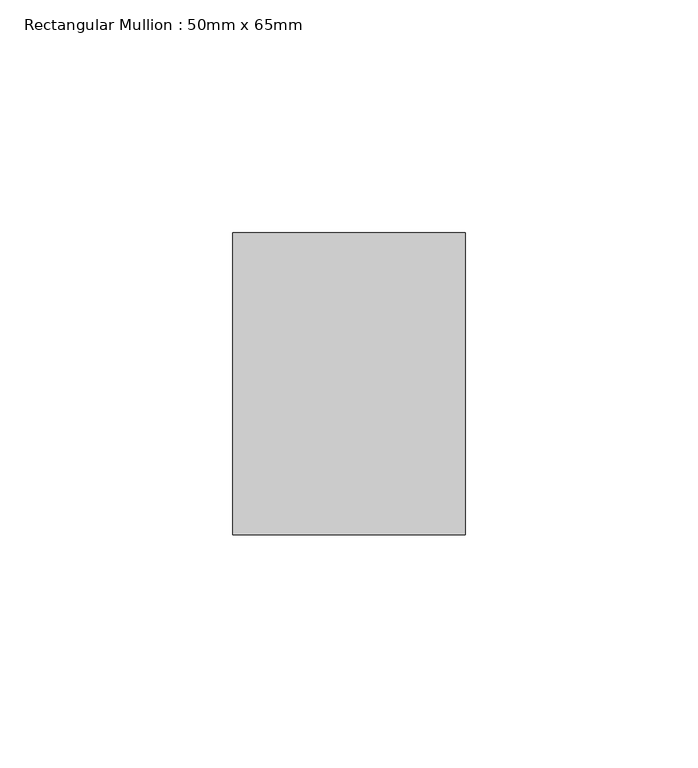
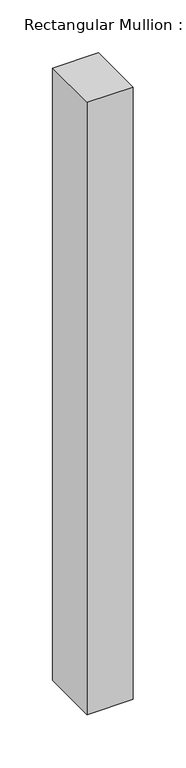
"""IFC4 building model written with IfcOpenShell, lengths in millimetres: member geometry, Rectangular Mullion : 50mm x 65mm."""

from ifc_helpers import new_model, si_unit, frame, origin, place, context, project, spatial, polyline, outline, extrude, source, transform, mapped, element, save


def rectangular_mullion_50mm_x_65mm_bef3af5a(model_context):
    return source(origin(), model_context, "Body", "SweptSolid", [
        extrude(outline(polyline([(25.0, 32.5), (25.0, -32.5), (-25.0, -32.5), (-25.0, 32.5), (25.0, 32.5)])), frame((0.0, 0.0, -705.7730158), z_axis=(0.0, 0.0, 1.0), x_axis=(1.0, 0.0, 0.0)), (0.0, 0.0, 1.0), 705.7730158),
    ])


if __name__ == "__main__":
    model = new_model("IFC4")
    model_context = context("Model", 3, world=origin())
    ifc_project = project(units=[si_unit("LENGTHUNIT", "METRE", prefix="MILLI")], contexts=[model_context])
    site = spatial("IfcSite", under=ifc_project)
    building = spatial("IfcBuilding", under=site)
    placement = place(None, origin())
    rectangular_mullion_50mm_x_65mm_shape = rectangular_mullion_50mm_x_65mm_bef3af5a(model_context)
    element("IfcMember", 1, ObjectType="Rectangular Mullion : 50mm x 65mm", at=placement, inside=building, context=model_context, shape_type="MappedRepresentation", body=[
        mapped(rectangular_mullion_50mm_x_65mm_shape, transform((0.0, 0.0, 0.0), x_axis=(1.0, 0.0, 0.0), y_axis=(0.0, 1.0, 0.0), z_axis=(0.0, 0.0, 1.0))),
    ])
    save(model, "model.ifc")
